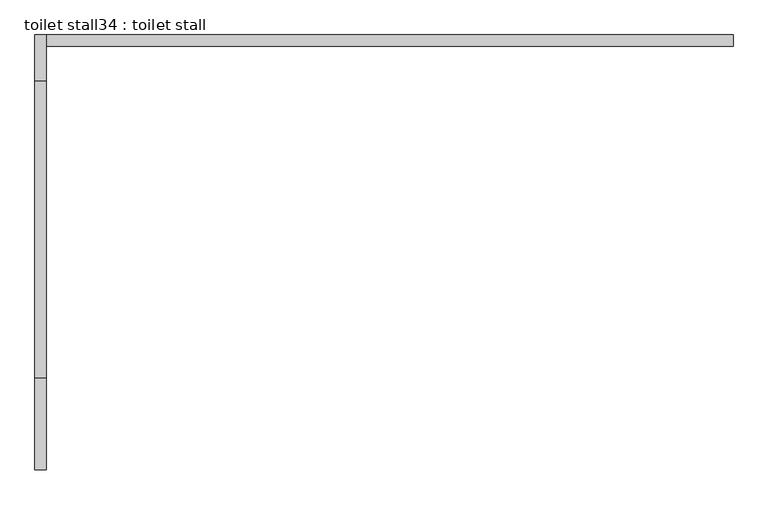
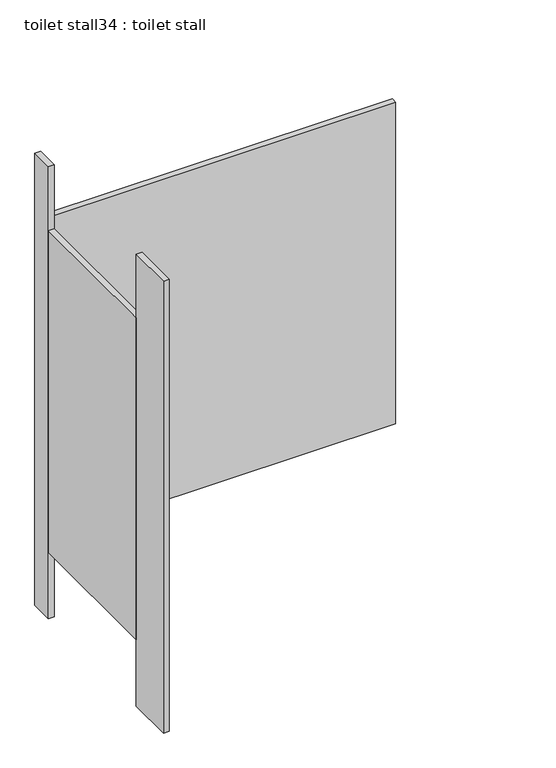
"""IFC4 building model written with IfcOpenShell, lengths in millimetres: proxy geometry, toilet stall34 : toilet stall."""

from ifc_helpers import new_model, si_unit, frame, origin, origin_with_axes, place, context, project, spatial, polyline, outline, extrude, source, transform, mapped, element, save


def toilet_stall34_toilet_stall_7b4688bb(model_context):
    return source(origin(), model_context, "Body", "SweptSolid", [
        extrude(outline(polyline([(457604.6004676, -266090.2233948), (457604.6004676, -266293.4233948), (457579.2004676, -266293.4233948), (457579.2004676, -266090.2233948), (457604.6004676, -266090.2233948)])), origin_with_axes(), (0.0, 0.0, 1.0), 2070.1),
        extrude(outline(polyline([(457604.6004676, -265328.2233948), (457604.6004676, -265429.8233948), (457579.2004676, -265429.8233948), (457579.2004676, -265328.2233948), (457604.6004676, -265328.2233948)])), origin_with_axes(), (0.0, 0.0, 1.0), 2070.1),
        extrude(outline(polyline([(457604.6004676, -265328.2233948), (459128.6004676, -265328.2233948), (459128.6004676, -265353.6233948), (457604.6004676, -265353.6233948), (457604.6004676, -265328.2233948)])), frame((0.0, 0.0, 304.8), z_axis=(0.0, 0.0, 1.0), x_axis=(1.0, 0.0, 0.0)), (0.0, 0.0, 1.0), 1473.2),
        extrude(outline(polyline([(457604.6004676, -265429.8233948), (457604.6004676, -266090.2233948), (457579.2004676, -266090.2233948), (457579.2004676, -265429.8233948), (457604.6004676, -265429.8233948)])), frame((0.0, 0.0, 304.8), z_axis=(0.0, 0.0, 1.0), x_axis=(1.0, 0.0, 0.0)), (0.0, 0.0, 1.0), 1473.2),
    ])


if __name__ == "__main__":
    model = new_model("IFC4")
    model_context = context("Model", 3, world=origin())
    ifc_project = project(units=[si_unit("LENGTHUNIT", "METRE", prefix="MILLI")], contexts=[model_context])
    site = spatial("IfcSite", under=ifc_project)
    building = spatial("IfcBuilding", under=site)
    placement = place(None, origin())
    toilet_stall34_toilet_stall_shape = toilet_stall34_toilet_stall_7b4688bb(model_context)
    element("IfcBuildingElementProxy", 1, Name="toilet stall34 : toilet stall", ObjectType="toilet stall34 : toilet stall", at=placement, inside=building, context=model_context, shape_type="MappedRepresentation", body=[
        mapped(toilet_stall34_toilet_stall_shape, transform((0.0, 0.0, 0.0), x_axis=(1.0, 0.0, 0.0), y_axis=(0.0, 1.0, 0.0), z_axis=(0.0, 0.0, 1.0))),
    ])
    save(model, "model.ifc")
